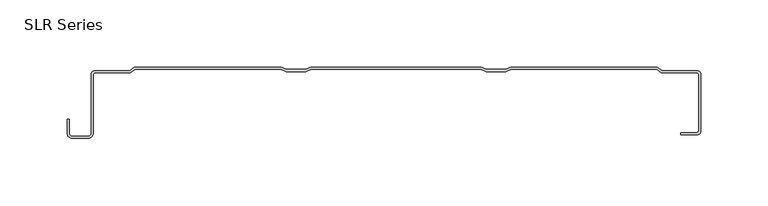
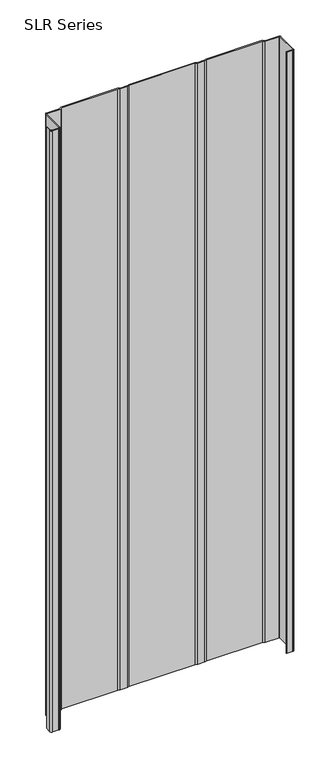
"""IFC4 building model written with IfcOpenShell, lengths in millimetres: plate geometry, SLR Series."""

from ifc_helpers import new_model, si_unit, point, frame_2d, origin, origin_with_axes, place, context, project, spatial, polyline, circle_curve, trimmed, segment, composite_curve, outline, extrude, source, transform, mapped, element, save


def slr_series_692faf6c(model_context):
    return source(origin(), model_context, "Body", "SweptSolid", [
        extrude(outline(composite_curve([segment(polyline([(214.4969081, -50.2795449), (214.4969081, -48.6618105), (226.5762298, -48.6618105)]), True, "CONTINUOUS"), segment(trimmed(circle_curve(frame_2d((226.5762298, -47.5057747)), 1.1560358), [point((226.5762298, -48.6618105))], [point((227.7322657, -47.5057747))], True, "CARTESIAN"), True, "CONTINUOUS"), segment(polyline([(227.7322657, -47.5057747), (227.7322657, -5.428315)]), True, "CONTINUOUS"), segment(trimmed(circle_curve(frame_2d((226.5762298, -5.428315)), 1.1560358), [point((227.7322657, -5.428315))], [point((226.5762298, -4.2722792))], True, "CARTESIAN"), True, "CONTINUOUS"), segment(polyline([(226.5762298, -4.2722792), (199.9498111, -4.2722792), (196.3701055, -1.5875), (88.2640324, -1.5875), (84.1417233, -3.2364237), (69.7582767, -3.2364237), (65.6359676, -1.5875), (-60.7851421, -1.5875), (-64.9074512, -3.2364237), (-79.2908979, -3.2364237), (-83.413207, -1.5875), (-191.8345648, -1.5875), (-195.4142704, -4.2722792), (-221.8338236, -4.2722792)]), True, "CONTINUOUS"), segment(trimmed(circle_curve(frame_2d((-221.8338236, -5.3846124)), 1.1123332), [point((-221.8338236, -4.2722792))], [point((-222.9461568, -5.3846124))], True, "CARTESIAN"), True, "CONTINUOUS"), segment(polyline([(-222.9461568, -5.3846124), (-222.9461568, -49.322367)]), True, "CONTINUOUS"), segment(trimmed(circle_curve(frame_2d((-226.4785173, -49.322367)), 3.5323605), [point((-222.9461568, -49.322367))], [point((-226.4785173, -52.8547275))], False, "CARTESIAN"), True, "CONTINUOUS"), segment(polyline([(-226.4785173, -52.8547275), (-238.8643672, -52.8547275)]), True, "CONTINUOUS"), segment(trimmed(circle_curve(frame_2d((-238.8643672, -49.322367)), 3.5323605), [point((-238.8643672, -52.8547275))], [point((-242.3967277, -49.322367))], False, "CARTESIAN"), True, "CONTINUOUS"), segment(polyline([(-242.3967277, -49.322367), (-242.3967277, -38.9158598), (-240.8437099, -38.9158598), (-240.8437099, -49.322367)]), True, "CONTINUOUS"), segment(trimmed(circle_curve(frame_2d((-238.8643672, -49.322367)), 1.9793427), [point((-240.8437099, -49.322367))], [point((-238.8643672, -51.3017098))], True, "CARTESIAN"), True, "CONTINUOUS"), segment(polyline([(-238.8643672, -51.3017098), (-226.4785173, -51.3017098)]), True, "CONTINUOUS"), segment(trimmed(circle_curve(frame_2d((-226.4785173, -49.322367)), 1.9793427), [point((-226.4785173, -51.3017098))], [point((-224.4991745, -49.322367))], True, "CARTESIAN"), True, "CONTINUOUS"), segment(polyline([(-224.4991745, -49.322367), (-224.4991745, -5.4093769)]), True, "CONTINUOUS"), segment(trimmed(circle_curve(frame_2d((-221.7739184, -5.4093769)), 2.7252562), [point((-224.4991745, -5.4093769))], [point((-221.8338236, -2.6847792))], False, "CARTESIAN"), True, "CONTINUOUS"), segment(polyline([(-221.8338236, -2.6847792), (-195.943437, -2.6847792), (-192.3637314, 0.0), (-83.1074824, 0.0), (-78.9851733, -1.6489237), (-65.2131758, -1.6489237), (-61.0908667, 0.0), (65.9416921, 0.0), (70.0640013, -1.6489237), (83.8359987, -1.6489237), (87.9583079, 0.0), (196.8992721, 0.0), (200.4789777, -2.6847792), (226.5762298, -2.6847792)]), True, "CONTINUOUS"), segment(trimmed(circle_curve(frame_2d((226.627246, -5.4070553)), 2.722754), [point((226.5762298, -2.6847792))], [point((229.35, -5.4070553))], False, "CARTESIAN"), True, "CONTINUOUS"), segment(polyline([(229.35, -5.4070553), (229.35, -47.5057747)]), True, "CONTINUOUS"), segment(trimmed(circle_curve(frame_2d((226.5762298, -47.5057747)), 2.7737702), [point((229.35, -47.5057747))], [point((226.5762298, -50.2795449))], False, "CARTESIAN"), True, "CONTINUOUS"), segment(polyline([(226.5762298, -50.2795449), (214.4969081, -50.2795449)]), True, "CONTINUOUS")], self_intersect=False)), origin_with_axes(), (0.0, 0.0, 1.0), 1228.3559792),
    ])


if __name__ == "__main__":
    model = new_model("IFC4")
    model_context = context("Model", 3, world=origin())
    ifc_project = project(units=[si_unit("LENGTHUNIT", "METRE", prefix="MILLI")], contexts=[model_context])
    site = spatial("IfcSite", under=ifc_project)
    building = spatial("IfcBuilding", under=site)
    placement = place(None, origin())
    slr_series_shape = slr_series_692faf6c(model_context)
    element("IfcPlate", 1, ObjectType="SLR Series", at=placement, inside=building, context=model_context, shape_type="MappedRepresentation", body=[
        mapped(slr_series_shape, transform((0.0, 0.0, 0.0), x_axis=(1.0, 0.0, 0.0), y_axis=(0.0, 1.0, 0.0), z_axis=(0.0, 0.0, 1.0))),
    ])
    save(model, "model.ifc")
